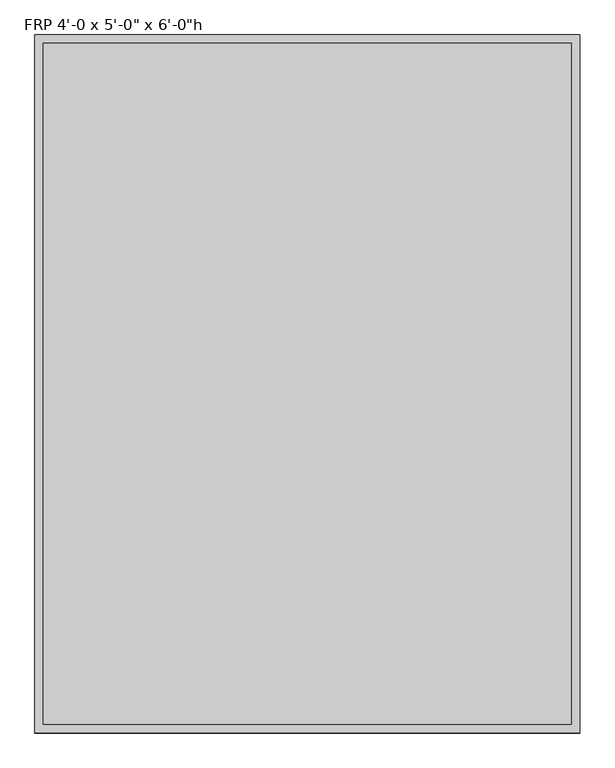
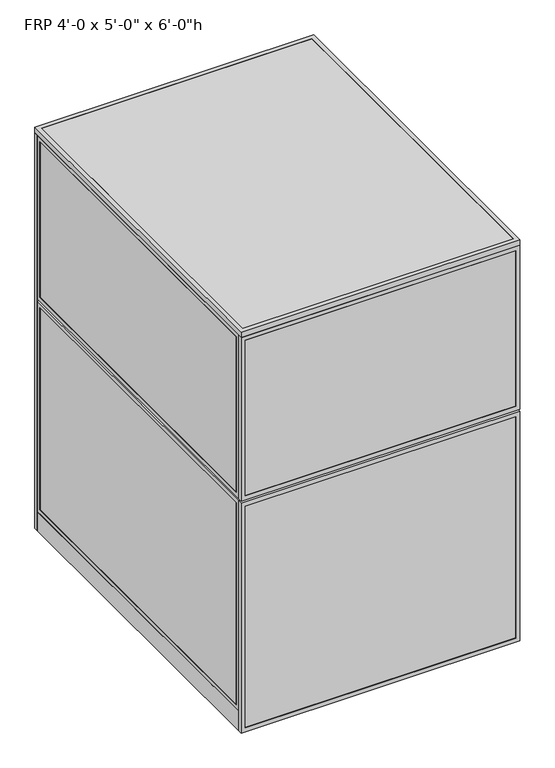
"""IFC4 building model written with IfcOpenShell, lengths in millimetres: proxy geometry."""

from ifc_helpers import new_model, si_unit, frame, origin, origin_with_axes, place, context, project, spatial, polyline, outline, extrude, source, transform, mapped, element, save


def proxy_03913e41(model_context):
    return source(origin(), model_context, "Body", "SweptSolid", [
        extrude(outline(polyline([(0.0, 0.0), (0.0, 914.4), (1828.8, 914.4), (1828.8, 0.0), (0.0, 0.0)]), holes=[polyline([(819.15, 19.05), (819.15, 895.35), (19.05, 895.35), (19.05, 19.05), (819.15, 19.05)]), polyline([(857.25, 895.35), (857.25, 19.05), (1809.75, 19.05), (1809.75, 895.35), (857.25, 895.35)])]), frame((0.0, 1524.0, 0.0), z_axis=(0.0, 1.0, 0.0), x_axis=(0.0, 0.0, 1.0)), (0.0, 0.0, 1.0), 19.05),
        extrude(outline(polyline([(60.3189838, 1541.4625), (854.0810162, 1541.4625), (854.0810162, 1525.5875), (60.3189838, 1525.5875), (60.3189838, 1541.4625)])), frame((0.0, 0.0, 60.325), z_axis=(0.0, 0.0, 1.0), x_axis=(1.0, 0.0, 0.0)), (0.0, 0.0, 1.0), 717.55),
        extrude(outline(polyline([(879.475, 41.2689838), (879.475, 873.1310162), (1787.525, 873.1310162), (1787.525, 41.2689838), (879.475, 41.2689838)]), holes=[polyline([(1768.475, 854.0810162), (898.525, 854.0810162), (898.525, 60.3189838), (1768.475, 60.3189838), (1768.475, 854.0810162)])]), frame((0.0, 1524.0, 0.0), z_axis=(0.0, 1.0, 0.0), x_axis=(0.0, 0.0, 1.0)), (0.0, 0.0, 1.0), 19.05),
        extrude(outline(polyline([(41.275, 41.2689838), (41.275, 873.1310162), (796.925, 873.1310162), (796.925, 41.2689838), (41.275, 41.2689838)]), holes=[polyline([(777.875, 854.0810162), (60.325, 854.0810162), (60.325, 60.3189838), (777.875, 60.3189838), (777.875, 854.0810162)])]), frame((0.0, 1524.0, 0.0), z_axis=(0.0, 1.0, 0.0), x_axis=(0.0, 0.0, 1.0)), (0.0, 0.0, 1.0), 19.05),
        extrude(outline(polyline([(60.3189838, 1541.4625), (854.0810162, 1541.4625), (854.0810162, 1525.5875), (60.3189838, 1525.5875), (60.3189838, 1541.4625)])), frame((0.0, 0.0, 898.525), z_axis=(0.0, 0.0, 1.0), x_axis=(1.0, 0.0, 0.0)), (0.0, 0.0, 1.0), 869.95),
        extrude(outline(polyline([(0.0, 1219.2), (1828.8, 1219.2), (1828.8, 914.4), (0.0, 914.4), (0.0, 1219.2)]), holes=[polyline([(19.05, 1200.15), (19.05, 933.45), (1809.75, 933.45), (1809.75, 1200.15), (19.05, 1200.15)])]), frame((0.0, 1524.0, 0.0), z_axis=(0.0, 1.0, 0.0), x_axis=(0.0, 0.0, 1.0)), (0.0, 0.0, 1.0), 19.05),
        extrude(outline(polyline([(933.45, 1541.4625), (1200.15, 1541.4625), (1200.15, 1525.5875), (933.45, 1525.5875), (933.45, 1541.4625)])), frame((0.0, 0.0, 19.05), z_axis=(0.0, 0.0, 1.0), x_axis=(1.0, 0.0, 0.0)), (0.0, 0.0, 1.0), 1790.7),
        extrude(outline(polyline([(1062.0375, 1219.2), (1062.0375, 0.0), (0.0, 0.0), (0.0, 1219.2), (1062.0375, 1219.2)]), holes=[polyline([(19.05, 1200.15), (19.05, 19.05), (1042.9875, 19.05), (1042.9875, 1200.15), (19.05, 1200.15)])]), frame((0.0, -19.05, 0.0), z_axis=(0.0, 1.0, 0.0), x_axis=(0.0, 0.0, 1.0)), (0.0, 0.0, 1.0), 19.05),
        extrude(outline(polyline([(1071.5625, 1219.2), (1828.8, 1219.2), (1828.8, 0.0), (1071.5625, 0.0), (1071.5625, 1219.2)]), holes=[polyline([(1809.75, 1200.15), (1090.6125, 1200.15), (1090.6125, 19.05), (1809.75, 19.05), (1809.75, 1200.15)])]), frame((0.0, -19.05, 0.0), z_axis=(0.0, 1.0, 0.0), x_axis=(0.0, 0.0, 1.0)), (0.0, 0.0, 1.0), 19.05),
        extrude(outline(polyline([(1200.15, -17.4625), (19.05, -17.4625), (19.05, -1.5875), (1200.15, -1.5875), (1200.15, -17.4625)])), frame((0.0, 0.0, 19.05), z_axis=(0.0, 0.0, 1.0), x_axis=(1.0, 0.0, 0.0)), (0.0, 0.0, 1.0), 1023.9375),
        extrude(outline(polyline([(1200.15, -17.4625), (19.05, -17.4625), (19.05, -1.5875), (1200.15, -1.5875), (1200.15, -17.4625)])), frame((0.0, 0.0, 1090.6125), z_axis=(0.0, 0.0, 1.0), x_axis=(1.0, 0.0, 0.0)), (0.0, 0.0, 1.0), 719.1375),
        extrude(outline(polyline([(1200.15, 0.0), (1200.15, 1524.0), (1219.2, 1524.0), (1219.2, 0.0), (1200.15, 0.0)])), origin_with_axes(), (0.0, 0.0, 1.0), 88.9),
        extrude(outline(polyline([(1524.0, 88.9), (0.0, 88.9), (0.0, 1062.0375), (1524.0, 1062.0375), (1524.0, 88.9)]), holes=[polyline([(1504.95, 1042.9875), (19.05, 1042.9875), (19.05, 107.95), (1504.95, 107.95), (1504.95, 1042.9875)])]), frame((1200.15, 0.0, 0.0), z_axis=(1.0, 0.0, 0.0), x_axis=(0.0, 1.0, 0.0)), (0.0, 0.0, 1.0), 19.05),
        extrude(outline(polyline([(0.0, 1071.5625), (0.0, 1828.8), (1524.0, 1828.8), (1524.0, 1071.5625), (0.0, 1071.5625)]), holes=[polyline([(19.05, 1809.75), (19.05, 1090.6125), (1504.95, 1090.6125), (1504.95, 1809.75), (19.05, 1809.75)])]), frame((1200.15, 0.0, 0.0), z_axis=(1.0, 0.0, 0.0), x_axis=(0.0, 1.0, 0.0)), (0.0, 0.0, 1.0), 19.05),
        extrude(outline(polyline([(1201.7375, 19.05), (1201.7375, 1504.95), (1217.6125, 1504.95), (1217.6125, 19.05), (1201.7375, 19.05)])), frame((0.0, 0.0, 107.95), z_axis=(0.0, 0.0, 1.0), x_axis=(1.0, 0.0, 0.0)), (0.0, 0.0, 1.0), 935.0375),
        extrude(outline(polyline([(1201.7375, 19.05), (1201.7375, 1504.95), (1217.6125, 1504.95), (1217.6125, 19.05), (1201.7375, 19.05)])), frame((0.0, 0.0, 1090.6125), z_axis=(0.0, 0.0, 1.0), x_axis=(1.0, 0.0, 0.0)), (0.0, 0.0, 1.0), 719.1375),
        extrude(outline(polyline([(0.0, 0.0), (0.0, 1524.0), (19.05, 1524.0), (19.05, 0.0), (0.0, 0.0)])), origin_with_axes(), (0.0, 0.0, 1.0), 88.9),
        extrude(outline(polyline([(1524.0, 88.9), (0.0, 88.9), (0.0, 1062.0375), (1524.0, 1062.0375), (1524.0, 88.9)]), holes=[polyline([(1504.95, 1042.9875), (19.05, 1042.9875), (19.05, 107.95), (1504.95, 107.95), (1504.95, 1042.9875)])]), frame((0.0, 0.0, 0.0), z_axis=(1.0, 0.0, 0.0), x_axis=(0.0, 1.0, 0.0)), (0.0, 0.0, 1.0), 19.05),
        extrude(outline(polyline([(0.0, 1071.5625), (0.0, 1828.8), (1524.0, 1828.8), (1524.0, 1071.5625), (0.0, 1071.5625)]), holes=[polyline([(19.05, 1809.75), (19.05, 1090.6125), (1504.95, 1090.6125), (1504.95, 1809.75), (19.05, 1809.75)])]), frame((0.0, 0.0, 0.0), z_axis=(1.0, 0.0, 0.0), x_axis=(0.0, 1.0, 0.0)), (0.0, 0.0, 1.0), 19.05),
        extrude(outline(polyline([(1.5875, 19.05), (1.5875, 1504.95), (17.4625, 1504.95), (17.4625, 19.05), (1.5875, 19.05)])), frame((0.0, 0.0, 107.95), z_axis=(0.0, 0.0, 1.0), x_axis=(1.0, 0.0, 0.0)), (0.0, 0.0, 1.0), 935.0375),
        extrude(outline(polyline([(1.5875, 19.05), (1.5875, 1504.95), (17.4625, 1504.95), (17.4625, 19.05), (1.5875, 19.05)])), frame((0.0, 0.0, 1090.6125), z_axis=(0.0, 0.0, 1.0), x_axis=(1.0, 0.0, 0.0)), (0.0, 0.0, 1.0), 719.1375),
        extrude(outline(polyline([(1187.45, 622.3), (1187.45, 609.6), (31.75, 609.6), (31.75, 622.3), (1187.45, 622.3)])), origin_with_axes(), (0.0, 0.0, 1.0), 152.4),
        extrude(outline(polyline([(1187.45, 622.3), (1187.45, 12.7), (31.75, 12.7), (31.75, 622.3), (1187.45, 622.3)])), frame((0.0, 0.0, 152.4), z_axis=(0.0, 0.0, 1.0), x_axis=(1.0, 0.0, 0.0)), (0.0, 0.0, 1.0), 12.7),
        extrude(outline(polyline([(1219.2, 1543.05), (1219.2, -19.05), (0.0, -19.05), (0.0, 1543.05), (1219.2, 1543.05)]), holes=[polyline([(1200.15, 1524.0), (19.05, 1524.0), (19.05, 0.0), (1200.15, 0.0), (1200.15, 1524.0)])]), frame((0.0, 0.0, 1828.8), z_axis=(0.0, 0.0, 1.0), x_axis=(1.0, 0.0, 0.0)), (0.0, 0.0, 1.0), 25.4),
        extrude(outline(polyline([(19.05, 1524.0), (1200.15, 1524.0), (1200.15, 0.0), (19.05, 0.0), (19.05, 1524.0)])), frame((0.0, 0.0, 1828.8), z_axis=(0.0, 0.0, 1.0), x_axis=(1.0, 0.0, 0.0)), (0.0, 0.0, 1.0), 25.4),
    ])


if __name__ == "__main__":
    model = new_model("IFC4")
    model_context = context("Model", 3, world=origin())
    ifc_project = project(units=[si_unit("LENGTHUNIT", "METRE", prefix="MILLI")], contexts=[model_context])
    site = spatial("IfcSite", under=ifc_project)
    building = spatial("IfcBuilding", under=site)
    placement = place(None, origin())
    proxy_shape = proxy_03913e41(model_context)
    element("IfcBuildingElementProxy", 1, Name="FRP 4'-0 x 5'-0\" x 6'-0\"h", ObjectType="FRP 4'-0 x 5'-0\" x 6'-0\"h", at=placement, inside=building, context=model_context, shape_type="MappedRepresentation", body=[
        mapped(proxy_shape, transform((0.0, 0.0, 0.0), x_axis=(1.0, 0.0, 0.0), y_axis=(0.0, 1.0, 0.0), z_axis=(0.0, 0.0, 1.0))),
    ])
    save(model, "model.ifc")
